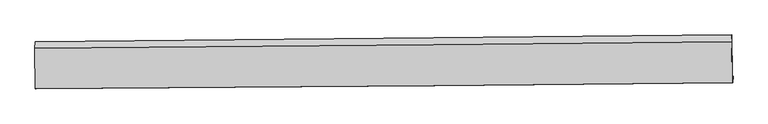
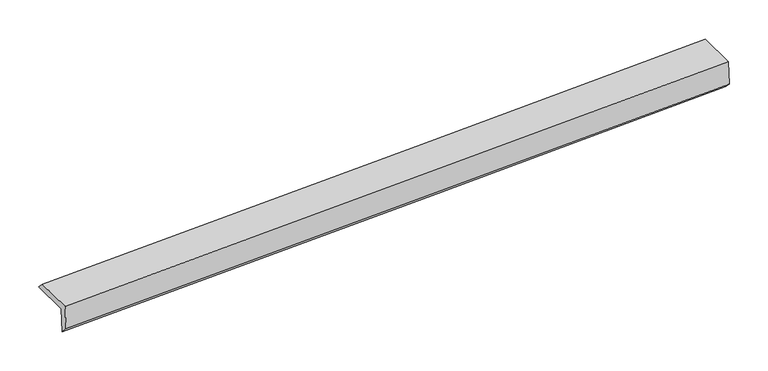
"""IFC4 building model written with IfcOpenShell, lengths in millimetres: proxy geometry."""

from ifc_helpers import new_model, si_unit, frame, origin, place, context, project, spatial, source, transform, mapped, element, save
from ifc_brep_helpers import plane_surface, spline_curve, spline_surface, advanced_brep


def generic_models_d3a010f8(model_context):
    return source(origin(), model_context, "Body", "AdvancedBrep", [
        advanced_brep(
        [(-5941.2387549, -1866.4245049, 1432.7263487), (-5955.1305553, -1865.5169801, 1851.7968471), (5393.8451329, -1768.036662, 2227.7938221), (5407.4056253, -1768.9225431, 1818.7178105), (-5944.1047599, -1979.9888552, 1553.2165938), (5404.8709284, -1882.5085371, 1929.2135688), (-5957.7717218, -1979.0960186, 1965.5044438), (5391.2039665, -1881.6157005, 2341.5014187), (-5964.2834353, -1316.5677541, 1963.8538379), (5384.5939722, -1209.08795, 2339.8259003), (-5961.6035878, -1206.9242787, 1850.1560462), (5387.2738197, -1099.4444746, 2226.1281086)],
        [
            (0, 1),
            (1, 2, spline_curve(3, [(-5955.1305553, -1865.5169801, 1851.7968471), (-3791.065705789, -1851.95784318, 1911.817289786), (-1627.249365437, -1835.524703282, 1978.507460495), (2155.633229181, -1801.767197294, 2106.773317175), (3774.808785185, -1785.70689799, 2165.415471646), (5393.8451329, -1768.036662, 2227.7938221)], [4, 2, 4], [0.0, 21.308105940459438, 37.25608318702933])),
            (2, 3),
            (3, 0, spline_curve(3, [(5407.4056253, -1768.9225431, 1818.7178105), (3788.237350069, -1786.584160271, 1760.31928521), (2169.006576087, -1802.640852641, 1703.342878372), (-1613.825812233, -1836.401638406, 1573.562458836), (-3777.476498251, -1852.84559974, 1501.875045468), (-5941.2387549, -1866.4245049, 1432.7263487)], [4, 2, 4], [0.0, 15.947977246569895, 37.25608318702933])),
            (4, 0),
            (3, 5),
            (5, 4, spline_curve(3, [(5404.8709284, -1882.5085371, 1929.2135688), (3785.544943398, -1900.159851422, 1875.572631335), (2166.203733749, -1916.209329353, 1821.927720259), (-1616.776208919, -1949.960475169, 1696.598514787), (-3780.426894595, -1966.404437069, 1624.911101323), (-5944.1047599, -1979.9888552, 1553.2165938)], [4, 2, 4], [0.0, 15.947947055877037, 37.25601265852612])),
            (6, 4),
            (5, 7),
            (7, 6, spline_curve(3, [(5391.2039665, -1881.6157005, 2341.5014187), (3771.974527254, -1899.273322001, 2284.948010379), (2152.688535098, -1915.32640702, 2229.637351409), (-1630.258957375, -1949.079673159, 2103.32926233), (-3793.964861873, -1965.520027493, 2033.307596554), (-5957.7717218, -1979.0960186, 1965.5044438)], [4, 2, 4], [0.0, 15.947944924194637, 37.256007678701046])),
            (8, 6),
            (7, 9),
            (9, 8, spline_curve(3, [(5384.5939722, -1209.08795, 2339.8259003), (3765.354037319, -1225.677684034, 2283.269831323), (2146.068045264, -1241.730768549, 2227.959172709), (-1636.85492835, -1277.978728683, 2101.657298359), (-3800.528072471, -1297.752244557, 2031.643936756), (-5964.2834353, -1316.5677541, 1963.8538379)], [4, 2, 4], [0.0, 15.947935932102464, 37.255986672266886])),
            (10, 8),
            (9, 11),
            (11, 10, spline_curve(3, [(5387.2738197, -1099.4444746, 2226.1281086), (3768.226976214, -1116.046822631, 2163.74709793), (2149.051420051, -1132.107122152, 2105.104943252), (-1633.806655016, -1168.359321601, 1976.845301821), (-3797.590235131, -1188.125623634, 1910.163435123), (-5961.6035878, -1206.9242787, 1850.1560462)], [4, 2, 4], [0.0, 15.947949953409157, 37.25601942745336])),
            (1, 10),
            (11, 2),
        ],
        [
            spline_surface(3, 3, [[(-5941.2387549, -1866.4245049, 1432.7263487), (-3777.47649852, -1852.84559996, 1501.875045177), (-1613.825812286, -1836.401638353, 1573.562459045), (2169.006576126, -1802.64085268, 1703.342878215), (3788.237349955, -1786.584160376, 1760.319284985), (5407.4056253, -1768.9225431, 1818.7178105)], [(-5945.869355048, -1866.121996636, 1572.416514839), (-3782.006234271, -1852.549680974, 1638.522460088), (-1618.300330034, -1836.109326654, 1708.544126155), (2164.548793825, -1802.349634276, 1837.819691236), (3783.761161653, -1786.291739543, 1895.351347272), (5402.885461158, -1768.627249409, 1955.076481037)], [(-5950.499955152, -1865.819488364, 1712.106680961), (-3786.535969979, -1852.253761981, 1775.169874981), (-1622.774847766, -1835.817014868, 1843.525793258), (2160.09101154, -1802.058415784, 1972.296504249), (3779.284973376, -1785.999318683, 2030.383409549), (5398.365297042, -1768.331955691, 2091.435151563)], [(-5955.1305553, -1865.5169801, 1851.7968471), (-3791.06570573, -1851.957842995, 1911.817289892), (-1627.249365515, -1835.524703168, 1978.507460368), (2155.633229239, -1801.76719738, 2106.77331727), (3774.808785074, -1785.706897849, 2165.415471836), (5393.8451329, -1768.036662, 2227.7938221)]], [4, 4], [4, 2, 4], [0.0, 1.3281655743797809], [0.0, 21.308105940459438, 37.25608318702933]),
            spline_surface(3, 3, [[(-5944.1047599, -1979.9888552, 1553.2165938), (-3780.426894802, -1966.404437139, 1624.91110115), (-1616.776208568, -1949.960475432, 1696.598515019), (2166.203733485, -1916.209329156, 1821.927720085), (3785.544943402, -1900.159851506, 1875.57263126), (5404.8709284, -1882.5085371, 1929.2135688)], [(-5943.149424904, -1942.134071791, 1513.05317876), (-3779.443429378, -1928.551491437, 1583.899082486), (-1615.792743144, -1912.10752973, 1655.586496355), (2167.138014362, -1878.353170322, 1782.399439456), (3786.442412276, -1862.301287814, 1837.154849164), (5405.71582739, -1844.646539118, 1892.381649363)], [(-5942.194089896, -1904.279288309, 1472.88976374), (-3778.459963943, -1890.698545662, 1542.887063841), (-1614.809277709, -1874.254584055, 1614.57447771), (2168.07229525, -1840.497011514, 1742.871158845), (3787.33988108, -1824.442724068, 1798.73706708), (5406.56072631, -1806.784541082, 1855.549729937)], [(-5941.2387549, -1866.4245049, 1432.7263487), (-3777.47649852, -1852.84559996, 1501.875045177), (-1613.825812286, -1836.401638353, 1573.562459045), (2169.006576126, -1802.64085268, 1703.342878215), (3788.237349955, -1786.584160376, 1760.319284985), (5407.4056253, -1768.9225431, 1818.7178105)]], [4, 4], [4, 2, 4], [0.0, 0.5453087538883845], [0.0, 21.30806560264908, 37.25601265852612]),
            spline_surface(3, 3, [[(-5957.7717218, -1979.0960186, 1965.5044438), (-3793.964861878, -1965.520027524, 2033.307596297), (-1630.25895765, -1949.079673144, 2103.329262368), (2152.688535303, -1915.326407031, 2229.63735138), (3771.974527226, -1899.273322053, 2284.948010252), (5391.2039665, -1881.6157005, 2341.5014187)], [(-5953.216067832, -1979.393630774, 1828.075160484), (-3789.452206185, -1965.814830703, 1897.175431266), (-1625.764707958, -1949.373273894, 1967.752346604), (2157.193601362, -1915.620714393, 2093.734140967), (3776.497999286, -1899.568831845, 2148.489550572), (5395.759620468, -1881.913312674, 2204.072135384)], [(-5948.660413868, -1979.691243026, 1690.645877116), (-3784.939550495, -1966.10963396, 1761.043266182), (-1621.27045826, -1949.666874682, 1832.175430783), (2161.698667427, -1915.915021794, 1957.830930499), (3781.021471342, -1899.864341715, 2012.03109094), (5400.315274432, -1882.210924926, 2066.642852116)], [(-5944.1047599, -1979.9888552, 1553.2165938), (-3780.426894802, -1966.404437139, 1624.91110115), (-1616.776208568, -1949.960475432, 1696.598515019), (2166.203733485, -1916.209329156, 1821.927720085), (3785.544943402, -1900.159851506, 1875.57263126), (5404.8709284, -1882.5085371, 1929.2135688)]], [4, 4], [4, 2, 4], [0.0, 1.336645647560776], [0.0, 21.30806275450641, 37.256007678701046]),
            spline_surface(3, 3, [[(-5964.2834353, -1316.5677541, 1963.8538379), (-3800.528072414, -1297.752244721, 2031.643936796), (-1636.854928373, -1277.978728341, 2101.657298676), (2146.068045281, -1241.730768805, 2227.959172472), (3765.354037104, -1225.677683828, 2283.269831344), (5384.5939722, -1209.08795, 2339.8259003)], [(-5962.112864141, -1537.410508934, 1964.404039877), (-3798.340335576, -1520.341505656, 2032.198489974), (-1634.656271449, -1501.679043276, 2102.214619905), (2148.274875304, -1466.262648214, 2228.51856544), (3767.560867127, -1450.209563237, 2283.829224311), (5386.797303616, -1433.263866834, 2340.384406432)], [(-5959.942292959, -1758.253263766, 1964.954241823), (-3796.152598716, -1742.930766589, 2032.75304312), (-1632.457614573, -1725.37935821, 2102.771941139), (2150.48170528, -1690.794527622, 2229.077958412), (3769.767697203, -1674.741442645, 2284.388617284), (5389.000635084, -1657.439783666, 2340.942912568)], [(-5957.7717218, -1979.0960186, 1965.5044438), (-3793.964861878, -1965.520027524, 2033.307596297), (-1630.25895765, -1949.079673144, 2103.329262368), (2152.688535303, -1915.326407031, 2229.63735138), (3771.974527226, -1899.273322053, 2284.948010252), (5391.2039665, -1881.6157005, 2341.5014187)]], [4, 4], [4, 2, 4], [0.0, 2.2045060251373716], [0.0, 21.308050740164422, 37.255986672266886]),
            spline_surface(3, 3, [[(-5961.6035878, -1206.9242787, 1850.1560462), (-3797.590235266, -1188.125623292, 1910.16343539), (-1633.806655238, -1168.359321465, 1976.845301675), (2149.051420217, -1132.107122254, 2105.104943361), (3768.226976051, -1116.046822723, 2163.747097828), (5387.2738197, -1099.4444746, 2226.1281086)], [(-5962.496870285, -1243.472103837, 1888.055310096), (-3798.5695143, -1224.667830439, 1950.656935855), (-1634.822746273, -1204.899123754, 2018.449300674), (2148.056961914, -1168.648337768, 2146.056353064), (3767.269329751, -1152.590443095, 2203.588008996), (5386.380537215, -1135.992299737, 2264.027372496)], [(-5963.390152815, -1280.019928963, 1925.954574004), (-3799.54879338, -1261.210037575, 1991.150436331), (-1635.838837337, -1241.438926052, 2060.053299677), (2147.062503584, -1205.189553291, 2187.00776277), (3766.311683404, -1189.134063456, 2243.428920176), (5385.487254685, -1172.540124863, 2301.926636404)], [(-5964.2834353, -1316.5677541, 1963.8538379), (-3800.528072414, -1297.752244721, 2031.643936796), (-1636.854928373, -1277.978728341, 2101.657298676), (2146.068045281, -1241.730768805, 2227.959172472), (3765.354037104, -1225.677683828, 2283.269831344), (5384.5939722, -1209.08795, 2339.8259003)]], [4, 4], [4, 2, 4], [0.0, 0.5428579627306568], [0.0, 21.308069474044203, 37.25601942745336]),
            spline_surface(3, 3, [[(-5955.1305553, -1865.5169801, 1851.7968471), (-3791.06570573, -1851.957842995, 1911.817289892), (-1627.249365515, -1835.524703168, 1978.507460368), (2155.633229239, -1801.76719738, 2106.77331727), (3774.808785074, -1785.706897849, 2165.415471836), (5393.8451329, -1768.036662, 2227.7938221)], [(-5957.288232791, -1645.986079629, 1851.249913443), (-3793.2405489, -1630.680436423, 1911.266005034), (-1629.43512877, -1613.136242596, 1977.953407459), (2153.439292884, -1578.547172334, 2106.217192622), (3772.614848719, -1562.486872803, 2164.859347189), (5391.654695153, -1545.172599529, 2227.238584289)], [(-5959.445910309, -1426.455179171, 1850.702979857), (-3795.415392097, -1409.403029864, 1910.714720248), (-1631.620891982, -1390.747782037, 1977.399354584), (2151.245356572, -1355.3271473, 2105.661068009), (3770.420912406, -1339.26684777, 2164.303222475), (5389.464257447, -1322.308537071, 2226.683346411)], [(-5961.6035878, -1206.9242787, 1850.1560462), (-3797.590235266, -1188.125623292, 1910.16343539), (-1633.806655238, -1168.359321465, 1976.845301675), (2149.051420217, -1132.107122254, 2105.104943361), (3768.226976051, -1116.046822723, 2163.747097828), (5387.2738197, -1099.4444746, 2226.1281086)]], [4, 4], [4, 2, 4], [0.0, 2.1915934090399354], [0.0, 21.3081320776898, 37.2561288865782]),
            plane_surface(frame((5394.8655741, -1601.6026446, 2147.1967715), z_axis=(0.9994027010543688, 0.00990519554560232, 0.033107827268418), x_axis=(0.009828076965985543, -0.9999485999765185, 0.002491246304803214))),
            plane_surface(frame((-5954.0221358, -1702.419732, 1769.5423529), z_axis=(-0.9994027010543688, -0.009905195545606264, -0.033107827268416726), x_axis=(0.033130801807119054, -0.0021643720114410936, -0.9994486807562525))),
        ],
        [
            (0, [[1, 2, 3, 4]]),
            (1, [[5, -4, 6, 7]]),
            (2, [[8, -7, 9, 10]]),
            (3, [[11, -10, 12, 13]]),
            (4, [[14, -13, 15, 16]]),
            (5, [[17, -16, 18, -2]]),
            (6, [[-12, -9, -6, -3, -18, -15]]),
            (7, [[-1, -5, -8, -11, -14, -17]]),
        ],
    ),
    ])


if __name__ == "__main__":
    model = new_model("IFC4")
    model_context = context("Model", 3, world=origin())
    ifc_project = project(units=[si_unit("LENGTHUNIT", "METRE", prefix="MILLI")], contexts=[model_context])
    site = spatial("IfcSite", under=ifc_project)
    building = spatial("IfcBuilding", under=site)
    placement = place(None, origin())
    generic_models_shape = generic_models_d3a010f8(model_context)
    element("IfcBuildingElementProxy", 1, Name="Generic Models", at=placement, inside=building, context=model_context, shape_type="MappedRepresentation", body=[
        mapped(generic_models_shape, transform((0.0, 0.0, 0.0), x_axis=(1.0, 0.0, 0.0), y_axis=(0.0, 1.0, 0.0), z_axis=(0.0, 0.0, 1.0))),
    ])
    save(model, "model.ifc")
